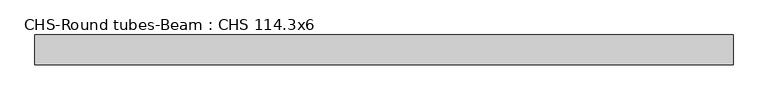
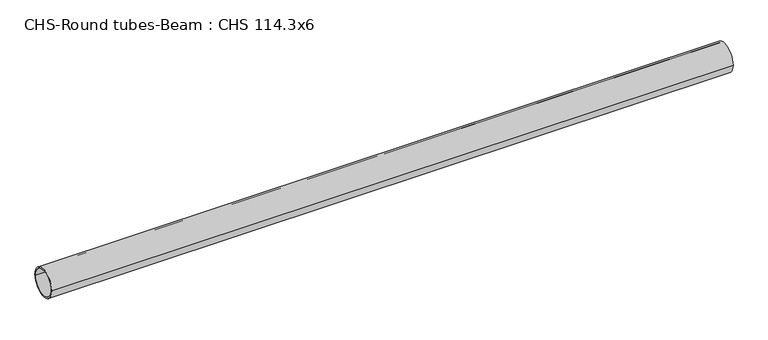
"""IFC4 building model written with IfcOpenShell, lengths in millimetres: beam geometry, CHS-Round tubes-Beam : CHS 114.3x6."""

from ifc_helpers import new_model, si_unit, point, frame, origin, origin_2d, place, context, project, spatial, circle_curve, trimmed, segment, composite_curve, outline, extrude, source, transform, mapped, element, save


def chs_round_tubes_beam_chs_114_3x6_f94fe402(model_context):
    return source(origin(), model_context, "Body", "SweptSolid", [
        extrude(outline(composite_curve([segment(trimmed(circle_curve(origin_2d(), 57.15), [point((57.15, 0.0))], [point((-57.15, 0.0))], False, "CARTESIAN"), True, "CONTINUOUS"), segment(trimmed(circle_curve(origin_2d(), 57.15), [point((-57.15, 0.0))], [point((57.15, 0.0))], False, "CARTESIAN"), True, "CONTINUOUS")], self_intersect=False), holes=[composite_curve([segment(trimmed(circle_curve(origin_2d(), 51.15), [point((51.15, 0.0))], [point((-51.15, 0.0))], True, "CARTESIAN"), True, "CONTINUOUS"), segment(trimmed(circle_curve(origin_2d(), 51.15), [point((-51.15, 0.0))], [point((51.15, 0.0))], True, "CARTESIAN"), True, "CONTINUOUS")], self_intersect=False)]), frame((-1262.4724447, 0.0, 0.0), z_axis=(1.0, 0.0, 0.0), x_axis=(0.0, 1.0, 0.0)), (0.0, 0.0, 1.0), 2688.6846614),
    ])


if __name__ == "__main__":
    model = new_model("IFC4")
    model_context = context("Model", 3, world=origin())
    ifc_project = project(units=[si_unit("LENGTHUNIT", "METRE", prefix="MILLI")], contexts=[model_context])
    site = spatial("IfcSite", under=ifc_project)
    building = spatial("IfcBuilding", under=site)
    placement = place(None, origin())
    chs_round_tubes_beam_chs_114_3x6_shape = chs_round_tubes_beam_chs_114_3x6_f94fe402(model_context)
    element("IfcBeam", 1, ObjectType="CHS-Round tubes-Beam : CHS 114.3x6", at=placement, inside=building, context=model_context, shape_type="MappedRepresentation", body=[
        mapped(chs_round_tubes_beam_chs_114_3x6_shape, transform((0.0, 0.0, 0.0), x_axis=(1.0, 0.0, 0.0), y_axis=(0.0, 1.0, 0.0), z_axis=(0.0, 0.0, 1.0))),
    ])
    save(model, "model.ifc")
